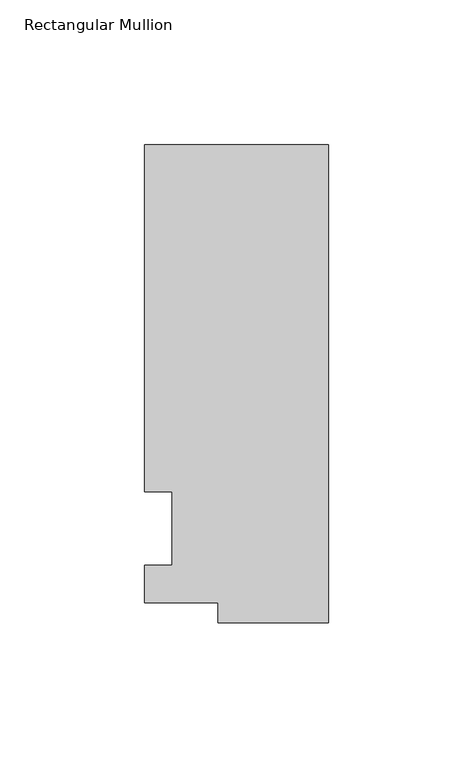
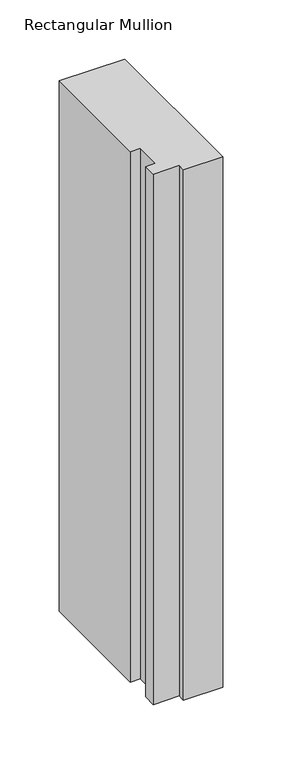
"""IFC4 building model written with IfcOpenShell, lengths in millimetres: member geometry, Rectangular Mullion."""

from ifc_helpers import new_model, si_unit, frame, origin, place, context, project, spatial, polyline, outline, extrude, source, transform, mapped, element, save


def rectangular_mullion_5b2facdc(model_context):
    return source(origin(), model_context, "Body", "SweptSolid", [
        extrude(outline(polyline([(-38.1, -32.54375), (-38.1, -25.58415), (-63.5, -25.58415), (-63.5, -12.7), (-53.975, -12.7), (-53.975, 12.7), (-63.5, 12.7), (-63.5, 132.55625), (0.0, 132.55625), (0.0, -32.54375), (-38.1, -32.54375)])), frame((0.0, 0.0, -545.7391064), z_axis=(0.0, 0.0, 1.0), x_axis=(1.0, 0.0, 0.0)), (0.0, 0.0, 1.0), 545.7391064),
    ])


if __name__ == "__main__":
    model = new_model("IFC4")
    model_context = context("Model", 3, world=origin())
    ifc_project = project(units=[si_unit("LENGTHUNIT", "METRE", prefix="MILLI")], contexts=[model_context])
    site = spatial("IfcSite", under=ifc_project)
    building = spatial("IfcBuilding", under=site)
    placement = place(None, origin())
    rectangular_mullion_shape = rectangular_mullion_5b2facdc(model_context)
    element("IfcMember", 1, ObjectType="Rectangular Mullion", at=placement, inside=building, context=model_context, shape_type="MappedRepresentation", body=[
        mapped(rectangular_mullion_shape, transform((0.0, 0.0, 0.0), x_axis=(1.0, 0.0, 0.0), y_axis=(0.0, 1.0, 0.0), z_axis=(0.0, 0.0, 1.0))),
    ])
    save(model, "model.ifc")
